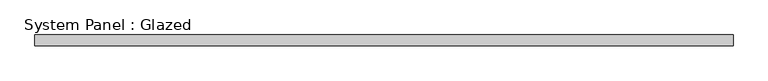
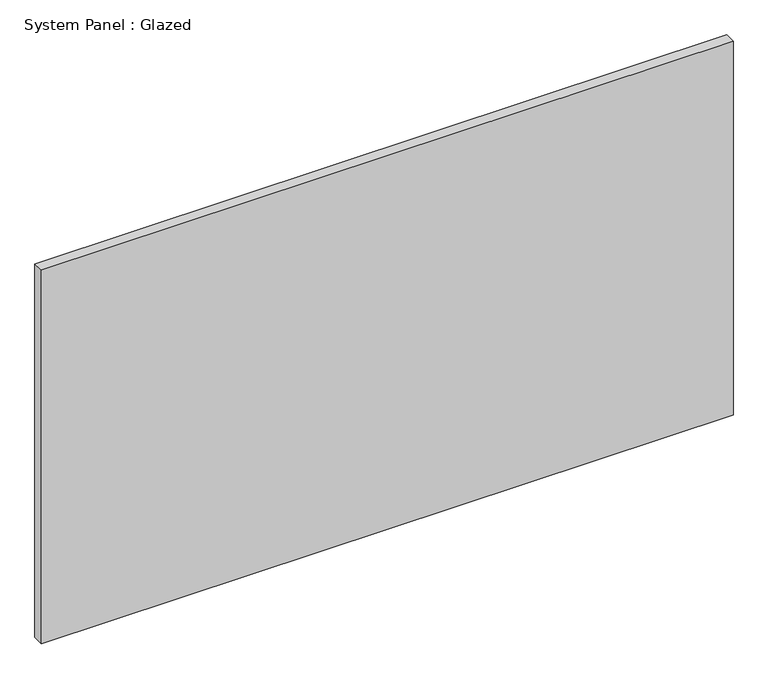
"""IFC4 building model written with IfcOpenShell, lengths in millimetres: plate geometry, System Panel : Glazed."""

from ifc_helpers import new_model, si_unit, origin, origin_with_axes, place, context, project, spatial, polyline, outline, extrude, source, transform, mapped, element, save


def system_panel_glazed_537669ac(model_context):
    return source(origin(), model_context, "Body", "SweptSolid", [
        extrude(outline(polyline([(787.5, 24.5), (-787.5, 24.5), (-787.5, 49.5), (787.5, 49.5), (787.5, 24.5)])), origin_with_axes(), (0.0, 0.0, 1.0), 900.0),
    ])


if __name__ == "__main__":
    model = new_model("IFC4")
    model_context = context("Model", 3, world=origin())
    ifc_project = project(units=[si_unit("LENGTHUNIT", "METRE", prefix="MILLI")], contexts=[model_context])
    site = spatial("IfcSite", under=ifc_project)
    building = spatial("IfcBuilding", under=site)
    placement = place(None, origin())
    system_panel_glazed_shape = system_panel_glazed_537669ac(model_context)
    element("IfcPlate", 1, ObjectType="System Panel : Glazed", at=placement, inside=building, context=model_context, shape_type="MappedRepresentation", body=[
        mapped(system_panel_glazed_shape, transform((0.0, 0.0, 0.0), x_axis=(1.0, 0.0, 0.0), y_axis=(0.0, 1.0, 0.0), z_axis=(0.0, 0.0, 1.0))),
    ])
    save(model, "model.ifc")
